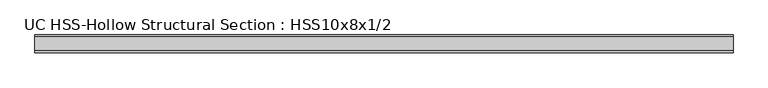
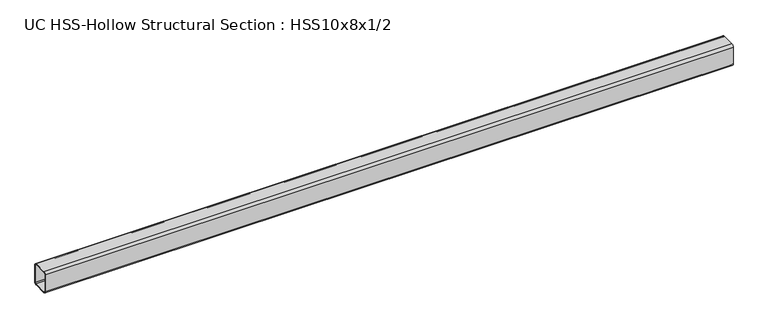
"""IFC4 building model written with IfcOpenShell, lengths in millimetres: beam geometry, UC HSS-Hollow Structural Section : HSS10x8x1/2."""

from ifc_helpers import new_model, si_unit, point, frame, frame_2d, origin, place, context, project, spatial, polyline, circle_curve, trimmed, segment, composite_curve, outline, extrude, source, transform, mapped, element, save


def uc_hss_hollow_structural_section_hss10x8x1_2_639e3561(model_context):
    return source(origin(), model_context, "Body", "SweptSolid", [
        extrude(outline(composite_curve([segment(trimmed(circle_curve(frame_2d((-77.978, 103.378)), 23.622), [point((-101.6, 103.378))], [point((-77.978, 127.0))], False, "CARTESIAN"), True, "CONTINUOUS"), segment(polyline([(-77.978, 127.0), (77.978, 127.0)]), True, "CONTINUOUS"), segment(trimmed(circle_curve(frame_2d((77.978, 103.378)), 23.622), [point((77.978, 127.0))], [point((101.6, 103.378))], False, "CARTESIAN"), True, "CONTINUOUS"), segment(polyline([(101.6, 103.378), (101.6, -103.378)]), True, "CONTINUOUS"), segment(trimmed(circle_curve(frame_2d((77.978, -103.378)), 23.622), [point((101.6, -103.378))], [point((77.978, -127.0))], False, "CARTESIAN"), True, "CONTINUOUS"), segment(polyline([(77.978, -127.0), (-77.978, -127.0)]), True, "CONTINUOUS"), segment(trimmed(circle_curve(frame_2d((-77.978, -103.378)), 23.622), [point((-77.978, -127.0))], [point((-101.6, -103.378))], False, "CARTESIAN"), True, "CONTINUOUS"), segment(polyline([(-101.6, -103.378), (-101.6, 103.378)]), True, "CONTINUOUS")], self_intersect=False), holes=[composite_curve([segment(polyline([(77.978, 115.189), (-77.978, 115.189)]), True, "CONTINUOUS"), segment(trimmed(circle_curve(frame_2d((-77.978, 103.378)), 11.811), [point((-77.978, 115.189))], [point((-89.789, 103.378))], True, "CARTESIAN"), True, "CONTINUOUS"), segment(polyline([(-89.789, 103.378), (-89.789, -103.378)]), True, "CONTINUOUS"), segment(trimmed(circle_curve(frame_2d((-77.978, -103.378)), 11.811), [point((-89.789, -103.378))], [point((-77.978, -115.189))], True, "CARTESIAN"), True, "CONTINUOUS"), segment(polyline([(-77.978, -115.189), (77.978, -115.189)]), True, "CONTINUOUS"), segment(trimmed(circle_curve(frame_2d((77.978, -103.378)), 11.811), [point((77.978, -115.189))], [point((89.789, -103.378))], True, "CARTESIAN"), True, "CONTINUOUS"), segment(polyline([(89.789, -103.378), (89.789, 103.378)]), True, "CONTINUOUS"), segment(trimmed(circle_curve(frame_2d((77.978, 103.378)), 11.811), [point((89.789, 103.378))], [point((77.978, 115.189))], True, "CARTESIAN"), True, "CONTINUOUS")], self_intersect=False)]), frame((-3949.6999994, 0.0, 0.0), z_axis=(1.0, 0.0, 0.0), x_axis=(0.0, 1.0, 0.0)), (0.0, 0.0, 1.0), 7899.3999988),
    ])


if __name__ == "__main__":
    model = new_model("IFC4")
    model_context = context("Model", 3, world=origin())
    ifc_project = project(units=[si_unit("LENGTHUNIT", "METRE", prefix="MILLI")], contexts=[model_context])
    site = spatial("IfcSite", under=ifc_project)
    building = spatial("IfcBuilding", under=site)
    placement = place(None, origin())
    uc_hss_hollow_structural_section_hss10x8x1_2_shape = uc_hss_hollow_structural_section_hss10x8x1_2_639e3561(model_context)
    element("IfcBeam", 1, ObjectType="UC HSS-Hollow Structural Section : HSS10x8x1/2", at=placement, inside=building, context=model_context, shape_type="MappedRepresentation", body=[
        mapped(uc_hss_hollow_structural_section_hss10x8x1_2_shape, transform((0.0, 0.0, 0.0), x_axis=(1.0, 0.0, 0.0), y_axis=(0.0, 1.0, 0.0), z_axis=(0.0, 0.0, 1.0))),
    ])
    save(model, "model.ifc")
